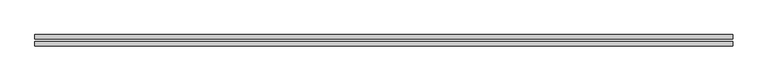
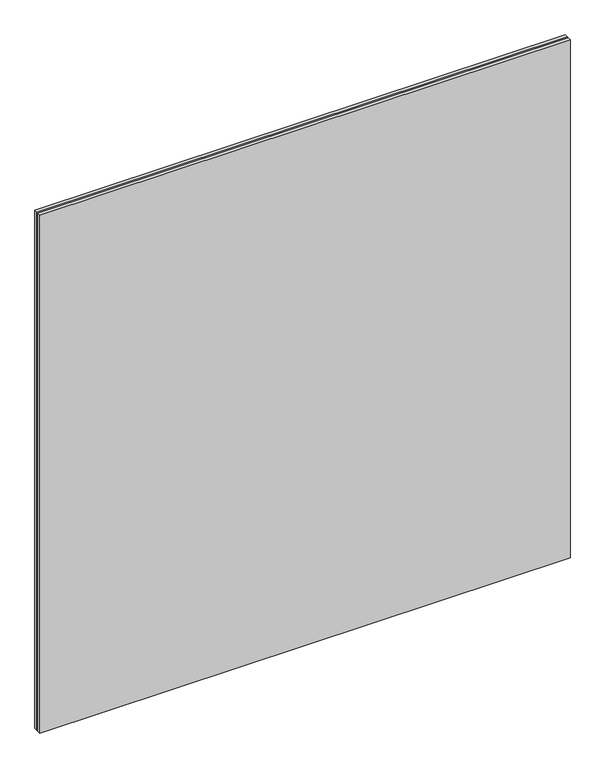
"""IFC4 building model written with IfcOpenShell, lengths in millimetres: plate geometry."""

from ifc_helpers import new_model, si_unit, origin, origin_with_axes, place, context, project, spatial, polyline, outline, extrude, source, transform, mapped, element, save


def plate_043be289(model_context):
    return source(origin(), model_context, "Body", "SweptSolid", [
        extrude(outline(polyline([(620.0, -10.0), (-620.0, -10.0), (-620.0, -2.0), (620.0, -2.0), (620.0, -10.0)])), origin_with_axes(), (0.0, 0.0, 1.0), 1280.0),
        extrude(outline(polyline([(620.0, 2.0), (-620.0, 2.0), (-620.0, 10.0), (620.0, 10.0), (620.0, 2.0)])), origin_with_axes(), (0.0, 0.0, 1.0), 1280.0),
    ])


if __name__ == "__main__":
    model = new_model("IFC4")
    model_context = context("Model", 3, world=origin())
    ifc_project = project(units=[si_unit("LENGTHUNIT", "METRE", prefix="MILLI")], contexts=[model_context])
    site = spatial("IfcSite", under=ifc_project)
    building = spatial("IfcBuilding", under=site)
    placement = place(None, origin())
    plate_shape = plate_043be289(model_context)
    element("IfcPlate", 1, at=placement, inside=building, context=model_context, shape_type="MappedRepresentation", body=[
        mapped(plate_shape, transform((0.0, 0.0, 0.0), x_axis=(1.0, 0.0, 0.0), y_axis=(0.0, 1.0, 0.0), z_axis=(0.0, 0.0, 1.0))),
    ])
    save(model, "model.ifc")
